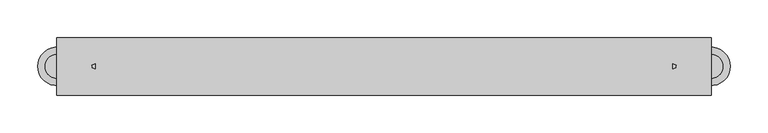
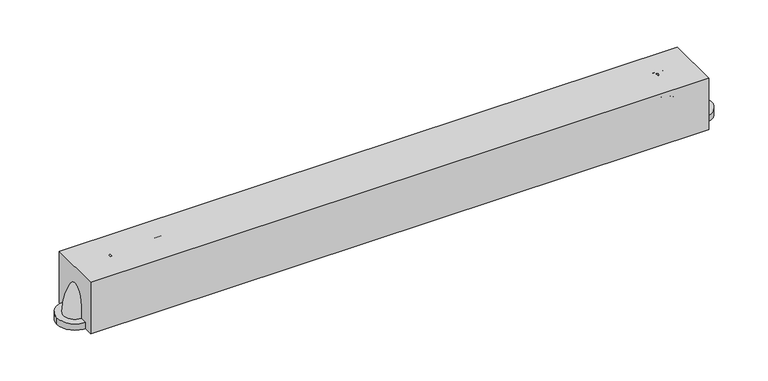
"""IFC4 building model written with IfcOpenShell, lengths in millimetres: proxy geometry."""

from ifc_helpers import new_model, si_unit, point, frame, frame_2d, origin, origin_with_axes, place, context, project, spatial, polyline, circle_curve, ellipse_curve, trimmed, segment, composite_curve, outline, extrude, source, transform, mapped, element, save
from ifc_brep_helpers import plane_surface, revolved_surface, advanced_brep


def specialty_equipment_b7fe3454(model_context):
    return source(origin(), model_context, "Body", "SolidModel", [
        advanced_brep(
        [(383.480906, 15.875, 60.325), (383.480906, -15.875, 60.325), (434.280906, 15.875, 9.525), (434.280906, -15.875, 9.525)],
        [
            (0, 1, circle_curve(frame((383.480906, 0.0, 60.325), z_axis=(-1.0, 0.0, 0.0), x_axis=(0.0, -1.0, 0.0)), 15.875)),
            (1, 0, circle_curve(frame((383.480906, 0.0, 60.325), z_axis=(-1.0, 0.0, 0.0), x_axis=(0.0, -1.0, 0.0)), 15.875)),
            (2, 3, circle_curve(frame((434.280906, 0.0, 9.525), z_axis=(0.0, 0.0, -1.0), x_axis=(0.0, -1.0, 0.0)), 15.875)),
            (3, 2, circle_curve(frame((434.280906, 0.0, 9.525), z_axis=(0.0, 0.0, -1.0), x_axis=(0.0, -1.0, 0.0)), 15.875)),
            (2, 0, circle_curve(frame((383.480906, 15.875, 9.525), z_axis=(0.0, -1.0, 0.0), x_axis=(0.0, 0.0, 1.0)), 50.8)),
            (1, 3, circle_curve(frame((383.480906, -15.875, 9.525), z_axis=(0.0, 1.0, 0.0), x_axis=(0.0, 0.0, 1.0)), 50.8)),
        ],
        [
            plane_surface(frame((383.480906, 0.0, 60.325), z_axis=(-1.0, 0.0, 0.0), x_axis=(0.0, -1.0, 0.0))),
            plane_surface(frame((434.280906, 0.0, 9.525), z_axis=(0.0, 0.0, -1.0), x_axis=(0.0, -1.0, 0.0))),
            revolved_surface(trimmed(ellipse_curve(frame((383.480906, 0.0, 60.325), z_axis=(1.0, 0.0, 0.0), x_axis=(0.0, -1.0, 0.0)), 15.875, 15.875), [point((383.480906, 15.875, 60.325))], [point((383.480906, -15.875, 60.325))], True, "CARTESIAN"), (383.480906, 0.0, 9.525), (0.0, -1.0, 0.0)),
            revolved_surface(trimmed(ellipse_curve(frame((383.480906, 0.0, 60.325), z_axis=(1.0, 0.0, 0.0), x_axis=(0.0, -1.0, 0.0)), 15.875, 15.875), [point((383.480906, -15.875, 60.325))], [point((383.480906, 15.875, 60.325))], True, "CARTESIAN"), (383.480906, 0.0, 9.525), (0.0, -1.0, 0.0)),
        ],
        [
            (0, [[1, 2]]),
            (1, [[3, 4]]),
            (2, [[-3, 5, -2, 6]]),
            (3, [[-4, -6, -1, -5]]),
        ],
    ),
        extrude(outline(composite_curve([segment(trimmed(circle_curve(frame_2d((434.280906, 0.0)), 25.4), [point((459.680906, 0.0))], [point((408.880906, 0.0))], False, "CARTESIAN"), True, "CONTINUOUS"), segment(trimmed(circle_curve(frame_2d((434.280906, 0.0)), 25.4), [point((408.880906, 0.0))], [point((459.680906, 0.0))], False, "CARTESIAN"), True, "CONTINUOUS")], self_intersect=False)), origin_with_axes(), (0.0, 0.0, 1.0), 9.525),
        advanced_brep(
        [(-383.480906, 15.875, 60.325), (-383.480906, -15.875, 60.325), (-434.280906, 15.875, 9.525), (-434.280906, -15.875, 9.525)],
        [
            (0, 1, circle_curve(frame((-383.480906, 0.0, 60.325), z_axis=(1.0, 0.0, 0.0), x_axis=(0.0, -1.0, 0.0)), 15.875)),
            (1, 0, circle_curve(frame((-383.480906, 0.0, 60.325), z_axis=(1.0, 0.0, 0.0), x_axis=(0.0, -1.0, 0.0)), 15.875)),
            (2, 3, circle_curve(frame((-434.280906, 0.0, 9.525), z_axis=(0.0, 0.0, -1.0), x_axis=(0.0, -1.0, 0.0)), 15.875)),
            (3, 2, circle_curve(frame((-434.280906, 0.0, 9.525), z_axis=(0.0, 0.0, -1.0), x_axis=(0.0, -1.0, 0.0)), 15.875)),
            (3, 1, circle_curve(frame((-383.480906, -15.875, 9.525), z_axis=(0.0, 1.0, 0.0), x_axis=(0.0, 0.0, 1.0)), 50.8)),
            (0, 2, circle_curve(frame((-383.480906, 15.875, 9.525), z_axis=(0.0, -1.0, 0.0), x_axis=(0.0, 0.0, 1.0)), 50.8)),
        ],
        [
            plane_surface(frame((-383.480906, 0.0, 60.325), z_axis=(1.0, 0.0, 0.0), x_axis=(0.0, -1.0, 0.0))),
            plane_surface(frame((-434.280906, 0.0, 9.525), z_axis=(0.0, 0.0, -1.0), x_axis=(0.0, -1.0, 0.0))),
            revolved_surface(trimmed(ellipse_curve(frame((-383.480906, 0.0, 60.325), z_axis=(1.0, 0.0, 0.0), x_axis=(0.0, -1.0, 0.0)), 15.875, 15.875), [point((-383.480906, 15.875, 60.325))], [point((-383.480906, -15.875, 60.325))], True, "CARTESIAN"), (-383.480906, 0.0, 9.525), (0.0, -1.0, 0.0)),
            revolved_surface(trimmed(ellipse_curve(frame((-383.480906, 0.0, 60.325), z_axis=(1.0, 0.0, 0.0), x_axis=(0.0, -1.0, 0.0)), 15.875, 15.875), [point((-383.480906, -15.875, 60.325))], [point((-383.480906, 15.875, 60.325))], True, "CARTESIAN"), (-383.480906, 0.0, 9.525), (0.0, -1.0, 0.0)),
        ],
        [
            (0, [[1, 2]]),
            (1, [[3, 4]]),
            (2, [[5, -1, 6, -4]]),
            (3, [[-6, -2, -5, -3]]),
        ],
    ),
        extrude(outline(composite_curve([segment(trimmed(circle_curve(frame_2d((-434.280906, 0.0)), 25.4), [point((-459.680906, 0.0))], [point((-408.880906, 0.0))], False, "CARTESIAN"), True, "CONTINUOUS"), segment(trimmed(circle_curve(frame_2d((-434.280906, 0.0)), 25.4), [point((-408.880906, 0.0))], [point((-459.680906, 0.0))], False, "CARTESIAN"), True, "CONTINUOUS")], self_intersect=False)), origin_with_axes(), (0.0, 0.0, 1.0), 9.525),
        extrude(outline(polyline([(434.280906, -38.1), (-434.280906, -38.1), (-434.280906, 38.1), (434.280906, 38.1), (434.280906, -38.1)])), origin_with_axes(), (0.0, 0.0, 1.0), 76.2),
        extrude(outline(composite_curve([segment(trimmed(circle_curve(frame_2d((0.0, 60.325)), 15.875), [point((-15.875, 60.325))], [point((15.875, 60.325))], False, "CARTESIAN"), True, "CONTINUOUS"), segment(trimmed(circle_curve(frame_2d((0.0, 60.325)), 15.875), [point((15.875, 60.325))], [point((-15.875, 60.325))], False, "CARTESIAN"), True, "CONTINUOUS")], self_intersect=False)), frame((-383.480906, 0.0, 0.0), z_axis=(1.0, 0.0, 0.0), x_axis=(0.0, 1.0, 0.0)), (0.0, 0.0, 1.0), 766.961812),
    ])


if __name__ == "__main__":
    model = new_model("IFC4")
    model_context = context("Model", 3, world=origin())
    ifc_project = project(units=[si_unit("LENGTHUNIT", "METRE", prefix="MILLI")], contexts=[model_context])
    site = spatial("IfcSite", under=ifc_project)
    building = spatial("IfcBuilding", under=site)
    placement = place(None, origin())
    specialty_equipment_shape = specialty_equipment_b7fe3454(model_context)
    element("IfcBuildingElementProxy", 1, Name="Specialty Equipment", at=placement, inside=building, context=model_context, shape_type="MappedRepresentation", body=[
        mapped(specialty_equipment_shape, transform((0.0, 0.0, 0.0), x_axis=(1.0, 0.0, 0.0), y_axis=(0.0, 1.0, 0.0), z_axis=(0.0, 0.0, 1.0))),
    ])
    save(model, "model.ifc")
